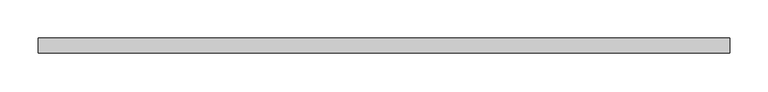
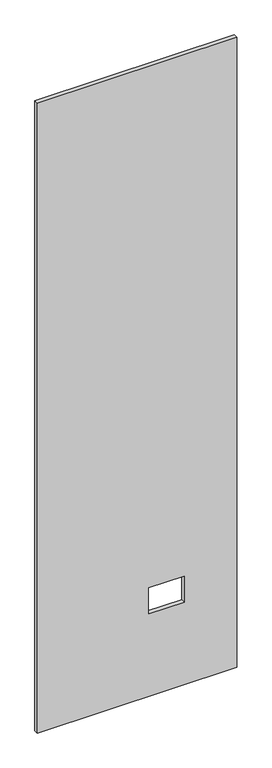
"""IFC4 building model written with IfcOpenShell, lengths in millimetres: proxy geometry."""

from ifc_helpers import new_model, si_unit, frame, origin, place, context, project, spatial, polyline, outline, extrude, source, transform, mapped, element, save


def specialty_equipment_b67dc53c(model_context):
    return source(origin(), model_context, "Body", "SweptSolid", [
        extrude(outline(polyline([(2999.5368001, -448.9704), (3.175, -448.9704), (3.175, 448.9704), (2999.5368001, 448.9704), (2999.5368001, -448.9704)]), holes=[polyline([(395.4526, 211.8868), (395.4526, 51.3588), (518.9474, 51.3588), (518.9474, 211.8868), (395.4526, 211.8868)])]), frame((0.0, -9.525, 0.0), z_axis=(0.0, 1.0, 0.0), x_axis=(0.0, 0.0, 1.0)), (0.0, 0.0, 1.0), 19.05),
    ])


if __name__ == "__main__":
    model = new_model("IFC4")
    model_context = context("Model", 3, world=origin())
    ifc_project = project(units=[si_unit("LENGTHUNIT", "METRE", prefix="MILLI")], contexts=[model_context])
    site = spatial("IfcSite", under=ifc_project)
    building = spatial("IfcBuilding", under=site)
    placement = place(None, origin())
    specialty_equipment_shape = specialty_equipment_b67dc53c(model_context)
    element("IfcBuildingElementProxy", 1, Name="Specialty Equipment", at=placement, inside=building, context=model_context, shape_type="MappedRepresentation", body=[
        mapped(specialty_equipment_shape, transform((0.0, 0.0, 0.0), x_axis=(1.0, 0.0, 0.0), y_axis=(0.0, 1.0, 0.0), z_axis=(0.0, 0.0, 1.0))),
    ])
    save(model, "model.ifc")
